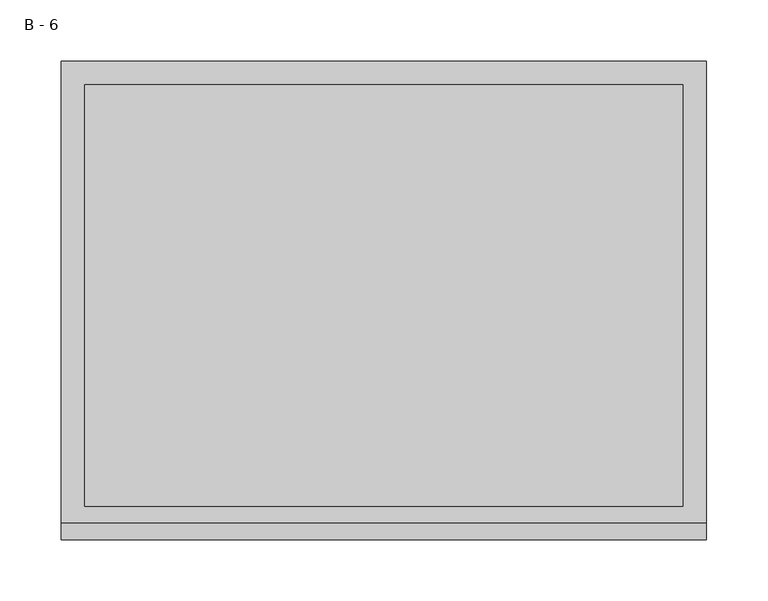
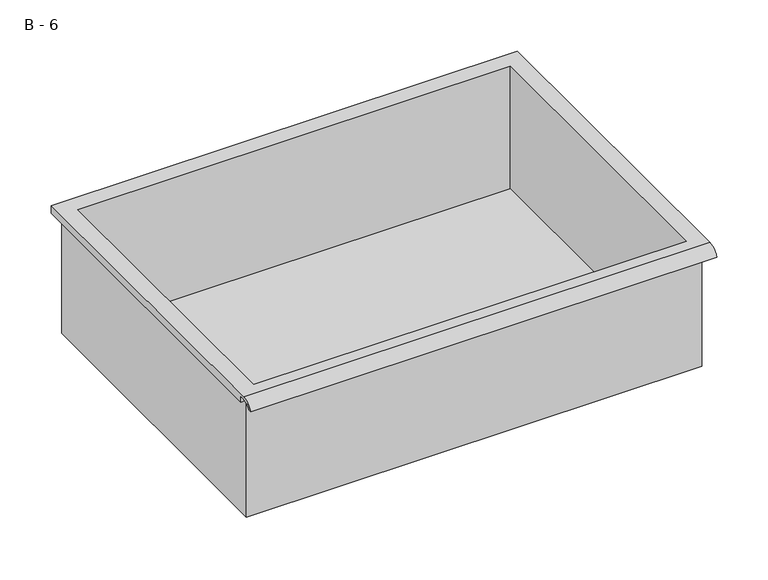
"""IFC4 building model written with IfcOpenShell, lengths in millimetres: furniture geometry, B - 6."""

from ifc_helpers import new_model, si_unit, frame, origin, place, context, project, spatial, polyline, circle_curve, source, transform, mapped, element, save
from ifc_brep_helpers import plane_surface, cylinder_surface, revolved_surface, advanced_brep


def b_6_568bd3d8(model_context):
    return source(origin(), model_context, "Body", "AdvancedBrep", [
        advanced_brep(
        [(-257.1076517, -176.2125, 669.1249), (257.2423483, -176.2125, 669.1249), (257.2423483, -176.2125, 808.8249), (263.5923483, -176.2125, 808.8249), (263.5923483, -176.2125, 815.1320341), (-263.4576517, -176.2125, 815.1320341), (-263.4576517, -176.2125, 808.8249), (-257.1076517, -176.2125, 808.8249), (257.2423483, 185.7375, 669.1249), (-257.1076517, 185.7375, 669.1249), (-257.1076517, 185.7375, 808.8249), (257.2423483, 185.7375, 808.8249), (263.5923483, -181.6070544, 818.3499), (263.5923483, 195.2625, 818.3499), (-263.4576517, 195.2625, 818.3499), (-263.4576517, -181.6070544, 818.3499), (244.5423483, -168.275, 818.3499), (-244.4076517, -168.275, 818.3499), (-244.4076517, 176.2125, 818.3499), (244.5423483, 176.2125, 818.3499), (263.5923483, -195.2625, 808.8249), (263.5923483, -191.8280601, 808.8249), (263.5923483, -180.4714815, 815.1320341), (263.5923483, 195.2625, 808.8249), (-263.4576517, 195.2625, 808.8249), (-263.4576517, -180.4714815, 815.1320341), (-263.4576517, -191.8280601, 808.8249), (-263.4576517, -195.2625, 808.8249), (-244.4076517, -168.275, 672.1510719), (244.5423483, -168.275, 672.1510719), (244.5423483, 176.2125, 672.1510719), (-244.4076517, 176.2125, 672.1510719)],
        [
            (0, 1),
            (1, 2),
            (2, 3),
            (3, 4),
            (4, 5),
            (5, 6),
            (6, 7),
            (7, 0),
            (8, 9),
            (9, 10),
            (10, 11),
            (11, 8),
            (0, 9),
            (8, 1),
            (11, 2),
            (12, 13),
            (13, 14),
            (14, 15),
            (15, 12),
            (16, 17),
            (17, 18),
            (18, 19),
            (19, 16),
            (7, 10),
            (12, 20, circle_curve(frame((263.5923483, -181.6070544, 803.7988859), z_axis=(1.0, 0.0, 0.0), x_axis=(0.0, 1.0, 0.0)), 14.5510141)),
            (20, 21),
            (21, 22, circle_curve(frame((263.5923483, -181.6070544, 803.7988859), z_axis=(-1.0, 0.0, 0.0), x_axis=(0.0, 1.0, 0.0)), 11.3898979)),
            (22, 4),
            (3, 23),
            (23, 13),
            (14, 24),
            (24, 6),
            (5, 25),
            (25, 26, circle_curve(frame((-263.4576517, -181.6070544, 803.7988859), z_axis=(1.0, 0.0, 0.0), x_axis=(0.0, 1.0, 0.0)), 11.3898979)),
            (26, 27),
            (27, 15, circle_curve(frame((-263.4576517, -181.6070544, 803.7988859), z_axis=(-1.0, 0.0, 0.0), x_axis=(0.0, 1.0, 0.0)), 14.5510141)),
            (27, 20),
            (26, 21),
            (25, 22),
            (24, 23),
            (28, 29),
            (29, 30),
            (30, 31),
            (31, 28),
            (28, 17),
            (16, 29),
            (19, 30),
            (18, 31),
        ],
        [
            plane_surface(frame((257.2423483, -176.2125, 669.1249), z_axis=(0.0, -1.0, 0.0), x_axis=(1.0, 0.0, 0.0))),
            plane_surface(frame((257.2423483, 185.7375, 669.1249), z_axis=(0.0, 1.0, 0.0), x_axis=(-1.0, 0.0, 0.0))),
            plane_surface(frame((-257.1076517, -176.2125, 669.1249), z_axis=(0.0, 0.0, -1.0), x_axis=(0.0, 1.0, 0.0))),
            plane_surface(frame((257.2423483, -176.2125, 669.1249), z_axis=(1.0, 0.0, 0.0), x_axis=(0.0, 1.0, 0.0))),
            plane_surface(frame((257.2423483, -176.2125, 818.3499), z_axis=(0.0, 0.0, 1.0), x_axis=(0.0, 1.0, 0.0))),
            plane_surface(frame((-257.1076517, -176.2125, 818.3499), z_axis=(-1.0, 0.0, 0.0), x_axis=(0.0, 1.0, 0.0))),
            plane_surface(frame((263.5923483, 195.2625, 818.3499), z_axis=(1.0, 0.0, 0.0), x_axis=(0.0, -1.0, 0.0))),
            plane_surface(frame((-263.4576517, 195.2625, 818.3499), z_axis=(-1.0, 0.0, 0.0), x_axis=(0.0, 1.0, 0.0))),
            cylinder_surface(frame((-263.4576517, -181.6070544, 803.7988859), z_axis=(1.0, 0.0, 0.0), x_axis=(0.0, 1.0, 0.0)), 14.5510141),
            plane_surface(frame((263.5923483, -195.2625, 808.8249), z_axis=(0.0, -7.251821180146345e-12, -1.0), x_axis=(-1.0, 0.0, 0.0))),
            revolved_surface(polyline([(-263.4576517, -170.21715650000002, 803.7988859), (263.59234829999997, -170.21715650000002, 803.7988859)]), (-263.4576517, -181.6070544, 803.7988859), (-1.0, 0.0, 0.0)),
            plane_surface(frame((263.5923483, -180.4714815, 815.1320341), z_axis=(0.0, -1.7988537739368033e-11, -1.0), x_axis=(-1.0, 0.0, 0.0))),
            plane_surface(frame((263.5923483, -176.2125, 808.8249), z_axis=(0.0, 0.0, -1.0), x_axis=(-1.0, 0.0, 0.0))),
            plane_surface(frame((263.5923483, 195.2625, 808.8249), z_axis=(0.0, 1.0, 0.0), x_axis=(-1.0, 0.0, 0.0))),
            plane_surface(frame((244.5423483, -168.275, 672.1510719), z_axis=(0.0, 0.0, 1.0), x_axis=(-1.0, 0.0, 0.0))),
            plane_surface(frame((-244.4076517, -168.275, 818.3499), z_axis=(0.0, 1.0, 0.0), x_axis=(0.0, 0.0, -1.0))),
            plane_surface(frame((244.5423483, -168.275, 818.3499), z_axis=(-1.0, 0.0, 0.0), x_axis=(0.0, 0.0, -1.0))),
            plane_surface(frame((244.5423483, 176.2125, 818.3499), z_axis=(0.0, -1.0, 0.0), x_axis=(0.0, 0.0, -1.0))),
            plane_surface(frame((-244.4076517, 176.2125, 818.3499), z_axis=(1.0, 0.0, 0.0), x_axis=(0.0, 0.0, -1.0))),
        ],
        [
            (0, [[1, 2, 3, 4, 5, 6, 7, 8]]),
            (1, [[9, 10, 11, 12]]),
            (2, [[-1, 13, -9, 14]]),
            (3, [[-14, -12, 15, -2]]),
            (4, [[16, 17, 18, 19], [20, 21, 22, 23]]),
            (5, [[-13, -8, 24, -10]]),
            (6, [[-16, 25, 26, 27, 28, -4, 29, 30]]),
            (7, [[31, 32, -6, 33, 34, 35, 36, -18]]),
            (8, [[-25, -19, -36, 37]]),
            (9, [[-26, -37, -35, 38]]),
            (10, [[-27, -38, -34, 39]]),
            (11, [[-28, -39, -33, -5]]),
            (12, [[-29, -3, -15, -11, -24, -7, -32, 40]]),
            (13, [[-30, -40, -31, -17]]),
            (14, [[41, 42, 43, 44]]),
            (15, [[-41, 45, -20, 46]]),
            (16, [[-42, -46, -23, 47]]),
            (17, [[-43, -47, -22, 48]]),
            (18, [[-44, -48, -21, -45]]),
        ],
    ),
    ])


if __name__ == "__main__":
    model = new_model("IFC4")
    model_context = context("Model", 3, world=origin())
    ifc_project = project(units=[si_unit("LENGTHUNIT", "METRE", prefix="MILLI")], contexts=[model_context])
    site = spatial("IfcSite", under=ifc_project)
    building = spatial("IfcBuilding", under=site)
    placement = place(None, origin())
    b_6_shape = b_6_568bd3d8(model_context)
    element("IfcFurniture", 1, ObjectType="B - 6", at=placement, inside=building, context=model_context, shape_type="MappedRepresentation", body=[
        mapped(b_6_shape, transform((0.0, 0.0, 0.0), x_axis=(1.0, 0.0, 0.0), y_axis=(0.0, 1.0, 0.0), z_axis=(0.0, 0.0, 1.0))),
    ])
    save(model, "model.ifc")
